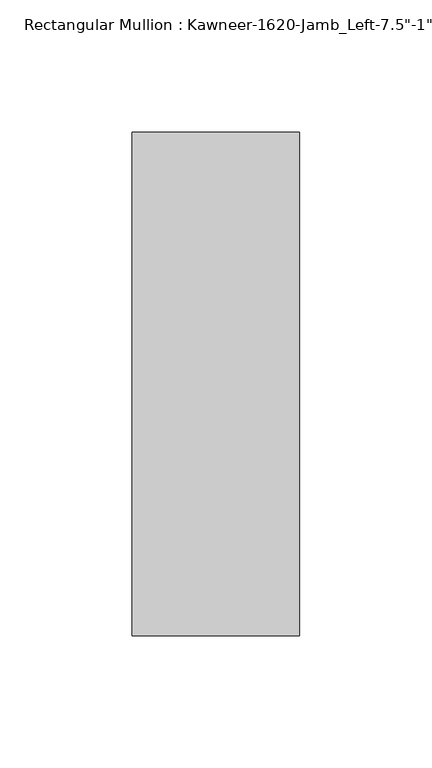
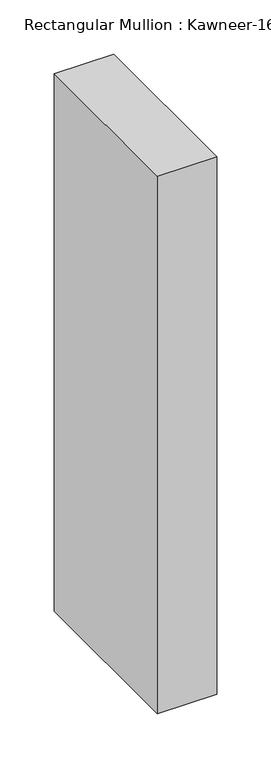
"""IFC4 building model written with IfcOpenShell, lengths in millimetres: member geometry."""

import ifcopenshell
import ifcopenshell.guid

model = None  # the IFC model being written
_history = None  # IfcOwnerHistory: only IFC2X3 demands one
_inside = {}  # id of a spatial element -> (the spatial element, [elements in it])
_under = {}  # id of a project, library or spatial element -> (it, [spatial elements below it])
_declared = {}  # id of a project -> (the project, [libraries it declares])
_typed = {}  # id of a type object -> (the type object, [elements of that type])
_made_of = {}  # id of a material, layer set ... -> (it, [elements and type objects made of it])


def new_model(schema):
    """Start an empty IFC model of exactly this schema.

    Asked for "IFC4X3", IfcOpenShell would pick the latest addendum, in which some entities
    have other attributes; the version numbers below select the first issue.
    IFC2X3 requires an IfcOwnerHistory on every rooted entity: one is made here for all.
    """
    global model, _history
    if schema == "IFC4X3":
        model = ifcopenshell.file(schema_version=(4, 3, 0, 0))
    else:
        model = ifcopenshell.file(schema=schema)
    _inside.clear()
    _under.clear()
    _declared.clear()
    _typed.clear()
    _made_of.clear()
    _history = None
    if model.schema == "IFC2X3":
        org = make("IfcOrganization", Name="unknown")
        user = make(
            "IfcPersonAndOrganization",
            ThePerson=make("IfcPerson", FamilyName="unknown"),
            TheOrganization=org,
        )
        app = make(
            "IfcApplication",
            ApplicationDeveloper=org,
            Version="unknown",
            ApplicationFullName="unknown",
            ApplicationIdentifier="unknown",
        )
        _history = make(
            "IfcOwnerHistory",
            OwningUser=user,
            OwningApplication=app,
            ChangeAction="ADDED",
            CreationDate=0,
        )
    return model


def make(cls, **values):
    """One entity of the class cls with the attributes given. An attribute that is None is left unset."""
    return model.create_entity(
        cls, **{name: value for name, value in values.items() if value is not None}
    )


def rooted(cls, **values):
    """An entity with a GlobalId (a new one), such as an element, a storey or a relation."""
    return make(cls, GlobalId=ifcopenshell.guid.new(), OwnerHistory=_history, **values)


def si_unit(unit_type, name, prefix=None):
    """IfcSIUnit, for example si_unit("LENGTHUNIT", "METRE", prefix="MILLI")."""
    return make("IfcSIUnit", UnitType=unit_type, Prefix=prefix, Name=name)


def assignment(units):
    """IfcUnitAssignment: the units of a project."""
    return None if units is None else make("IfcUnitAssignment", Units=units)


def point(xyz):
    """IfcCartesianPoint."""
    return None if xyz is None else make("IfcCartesianPoint", Coordinates=xyz)


def direction(xyz):
    """IfcDirection."""
    return None if xyz is None else make("IfcDirection", DirectionRatios=xyz)


def frame(location, z_axis=None, x_axis=None):
    """IfcAxis2Placement3D, a coordinate frame: its origin and axes. An axis left out is left unset."""
    return make(
        "IfcAxis2Placement3D",
        Location=point(location),
        Axis=direction(z_axis),
        RefDirection=direction(x_axis),
    )


def origin():
    """The frame at (0, 0, 0) with its axes left unset."""
    return frame((0.0, 0.0, 0.0))


def place(relative_to, where):
    """IfcLocalPlacement: puts the frame where relative to a parent placement (None: the world)."""
    return make(
        "IfcLocalPlacement", PlacementRelTo=relative_to, RelativePlacement=where
    )


def context(
    kind, dimensions, precision=None, world=None, true_north=None, identifier=None
):
    """IfcGeometricRepresentationContext, for example the 3D "Model" context."""
    return make(
        "IfcGeometricRepresentationContext",
        ContextIdentifier=identifier,
        ContextType=kind,
        CoordinateSpaceDimension=dimensions,
        Precision=precision,
        WorldCoordinateSystem=world,
        TrueNorth=true_north,
    )


def project(units=None, contexts=None):
    """IfcProject with its units and contexts."""
    return rooted(
        "IfcProject",
        Name="project",
        RepresentationContexts=contexts,
        UnitsInContext=assignment(units),
    )


def spatial(cls, under=None, at=None, **own):
    """A site, building, storey or space (cls), placed at a placement, below another one or the project."""
    s = rooted(cls, ObjectPlacement=at, **own)
    if under is not None:
        _under.setdefault(under.id(), (under, []))[1].append(s)
    return s


def polyline(points):
    """IfcPolyline through the points."""
    return make("IfcPolyline", Points=[point(p) for p in points])


def outline(outer, holes=None, kind="AREA"):
    """IfcArbitraryClosedProfileDef: a profile drawn as a closed curve; with holes, ...WithVoids."""
    if holes is None:
        return make("IfcArbitraryClosedProfileDef", ProfileType=kind, OuterCurve=outer)
    return make(
        "IfcArbitraryProfileDefWithVoids",
        ProfileType=kind,
        OuterCurve=outer,
        InnerCurves=holes,
    )


def extrude(swept, where, along, depth):
    """IfcExtrudedAreaSolid: the profile swept, set in the frame where, extruded along a direction by depth."""
    return make(
        "IfcExtrudedAreaSolid",
        SweptArea=swept,
        Position=where,
        ExtrudedDirection=direction(along),
        Depth=depth,
    )


def shape(context_of_items, identifier, shape_type, items):
    """IfcShapeRepresentation: the items that make up one representation, for example the "Body"."""
    return make(
        "IfcShapeRepresentation",
        ContextOfItems=context_of_items,
        RepresentationIdentifier=identifier,
        RepresentationType=shape_type,
        Items=items,
    )


def source(mapping_origin, context_of_items, identifier, shape_type, items):
    """IfcRepresentationMap: a shape defined once, which mapped items show again and again."""
    return make(
        "IfcRepresentationMap",
        MappingOrigin=mapping_origin,
        MappedRepresentation=shape(context_of_items, identifier, shape_type, items),
    )


def transform(
    local_origin,
    x_axis=None,
    y_axis=None,
    z_axis=None,
    scale=None,
    scale2=None,
    scale3=None,
    uniform=True,
):
    """IfcCartesianTransformationOperator3D, or its non-uniform kind. x_axis, y_axis, z_axis: its Axis1, 2, 3."""
    if uniform:
        return make(
            "IfcCartesianTransformationOperator3D",
            Axis1=direction(x_axis),
            Axis2=direction(y_axis),
            LocalOrigin=point(local_origin),
            Scale=scale,
            Axis3=direction(z_axis),
        )
    return make(
        "IfcCartesianTransformationOperator3DnonUniform",
        Axis1=direction(x_axis),
        Axis2=direction(y_axis),
        LocalOrigin=point(local_origin),
        Scale=scale,
        Axis3=direction(z_axis),
        Scale2=scale2,
        Scale3=scale3,
    )


def mapped(mapping_source, mapping_target):
    """IfcMappedItem: shows the shape of a source again, moved by a transform."""
    return make(
        "IfcMappedItem", MappingSource=mapping_source, MappingTarget=mapping_target
    )


def made_of(thing, what):
    """Note that an element or type object is made of a material, layer set ...; save() writes the relation."""
    if what is not None:
        _made_of.setdefault(what.id(), (what, []))[1].append(thing)
    return thing


def element(
    cls,
    number,
    at=None,
    inside=None,
    cuts=None,
    type_object=None,
    material=None,
    context=None,
    identifier="Body",
    shape_type=None,
    held_by="IfcProductDefinitionShape",
    body=None,
    shapes=None,
    **own,
):
    """One element of the class cls, such as IfcWall. Its Tag is "e" and its number.

    at: its placement. inside: the storey or other place that contains it. cuts: it is an
    opening in that element (IfcRelVoidsElement). A single representation is given by context,
    identifier, shape_type and body (its items); several are given by shapes. held_by: the class
    of the entity that holds the representations. save() writes the other relations.
    """
    e = rooted(cls, Tag="e%d" % number, ObjectPlacement=at, **own)
    if body is not None:
        shapes = [shape(context, identifier, shape_type, body)]
    if shapes is not None:
        e.Representation = make(held_by, Representations=shapes)
    if inside is not None:
        _inside.setdefault(inside.id(), (inside, []))[1].append(e)
    if cuts is not None:
        rooted(
            "IfcRelVoidsElement", RelatingBuildingElement=cuts, RelatedOpeningElement=e
        )
    if type_object is not None:
        _typed.setdefault(type_object.id(), (type_object, []))[1].append(e)
    return made_of(e, material)


def aggregate(whole, parts):
    """IfcRelAggregates: a whole, such as a stair, and the parts it consists of."""
    return rooted("IfcRelAggregates", RelatingObject=whole, RelatedObjects=parts)


def save(model, path):
    """Write the relations noted so far, then the file.

    IfcRelAggregates (storeys below a building ...), IfcRelContainedInSpatialStructure (elements
    in a storey), IfcRelDefinesByType, IfcRelAssociatesMaterial and IfcRelDeclares: one each for
    every whole, place, type object, material and project.
    """
    for whole, parts in _under.values():
        aggregate(whole, parts)
    for where, things in _inside.values():
        rooted(
            "IfcRelContainedInSpatialStructure",
            RelatedElements=things,
            RelatingStructure=where,
        )
    for kind, things in _typed.values():
        rooted("IfcRelDefinesByType", RelatedObjects=things, RelatingType=kind)
    for what, things in _made_of.values():
        rooted("IfcRelAssociatesMaterial", RelatedObjects=things, RelatingMaterial=what)
    for by, libraries in _declared.values():
        rooted("IfcRelDeclares", RelatingContext=by, RelatedDefinitions=libraries)
    model.write(path)


def member_91234175(model_context):
    return source(origin(), model_context, "Body", "SweptSolid", [
        extrude(outline(polyline([(-63.5, 38.1), (0.0, 38.1), (0.0, -152.4), (-63.5, -152.4), (-63.5, 38.1)])), frame((0.0, 0.0, -606.425), z_axis=(0.0, 0.0, 1.0), x_axis=(1.0, 0.0, 0.0)), (0.0, 0.0, 1.0), 606.425),
    ])


if __name__ == "__main__":
    model = new_model("IFC4")
    model_context = context("Model", 3, world=origin())
    ifc_project = project(units=[si_unit("LENGTHUNIT", "METRE", prefix="MILLI")], contexts=[model_context])
    site = spatial("IfcSite", under=ifc_project)
    building = spatial("IfcBuilding", under=site)
    placement = place(None, origin())
    member_shape = member_91234175(model_context)
    element("IfcMember", 1, ObjectType="Rectangular Mullion : Kawneer-1620-Jamb_Left-7.5\"-1\"Infill", at=placement, inside=building, context=model_context, shape_type="MappedRepresentation", body=[
        mapped(member_shape, transform((0.0, 0.0, 0.0), x_axis=(1.0, 0.0, 0.0), y_axis=(0.0, 1.0, 0.0), z_axis=(0.0, 0.0, 1.0))),
    ])
    save(model, "model.ifc")
